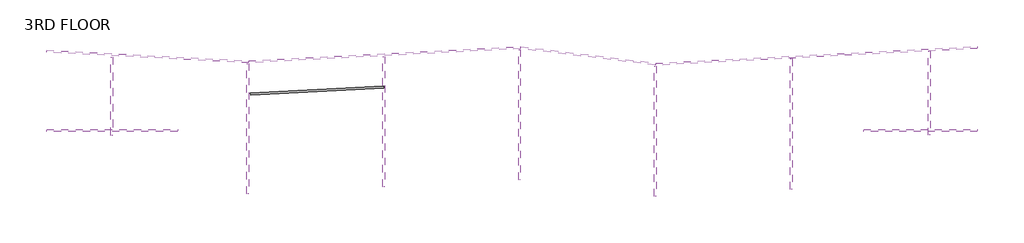
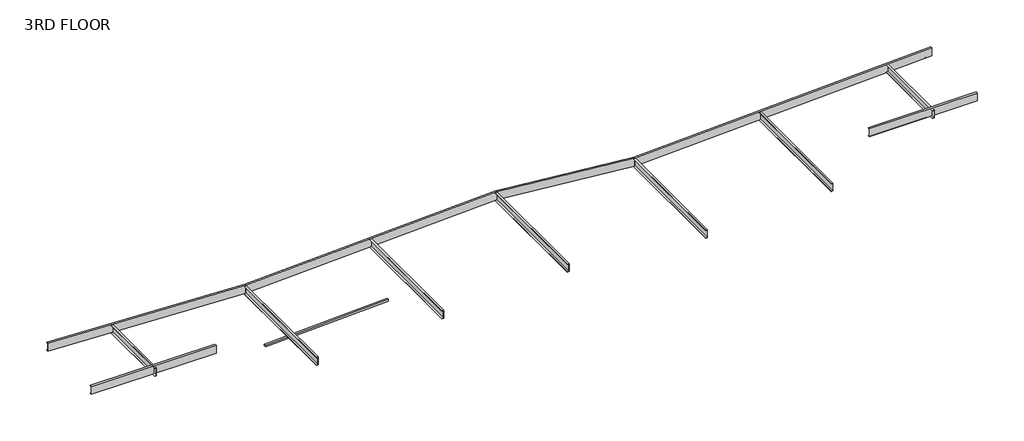
# One storey: 13 beams, 1 member.
"""IFC4 building model written with IfcOpenShell, lengths in millimetres."""

from ifc_helpers import new_model, si_unit, frame, origin, place, context, project, spatial, polyline, outline, extrude, element, save

model = new_model("IFC4")

# Units and contexts
model_context = context("Model", 3, world=origin())
ifc_project = project(units=[si_unit("LENGTHUNIT", "METRE", prefix="MILLI")], contexts=[model_context])

# Site, building, storey
site = spatial("IfcSite", under=ifc_project)
building = spatial("IfcBuilding", under=site)
storey = spatial("IfcBuildingStorey", under=building, Name="3RD FLOOR", Elevation=6543.675)

# Beams
placement = place(None, origin())
element("IfcBeam", 1, ObjectType="Steel Beam C 15x33.9", at=placement, inside=storey, context=model_context, shape_type="SweptSolid", body=[
    extrude(outline(polyline([(-190.5, -45.7200013), (-190.5, 40.6400012), (-181.6521699, 40.6400012), (-159.7935159, -35.5600011), (159.793516, -35.5600011), (181.6521699, 40.6400012), (190.5, 40.6400012), (190.5, -45.7200013), (-190.5, -45.7200013)])), frame((-44178.2188055, 295798.2554432, 9321.8754123), z_axis=(1.5099580252808516e-07, -0.9999999999999877, 4.3711388286737366e-08), x_axis=(0.0, 4.371138828673687e-08, 0.9999999999999991)), (0.0, 0.0, 1.0), 3657.599926),
])
element("IfcBeam", 2, ObjectType="Steel Beam C 15x33.9", at=placement, inside=storey, context=model_context, shape_type="SweptSolid", body=[
    extrude(outline(polyline([(-190.5, -45.7200012), (-190.5, 40.6400012), (-181.6521699, 40.6400012), (-159.7935159, -35.5600011), (159.793516, -35.5600011), (181.6521699, 40.6400012), (190.5, 40.6400012), (190.5, -45.7200012), (-190.5, -45.7200012)])), frame((-50157.3794173, 295452.804565, 9321.8753246), z_axis=(1.5099580252808516e-07, -0.9999999999999877, 4.3711388286737366e-08), x_axis=(0.0, 4.371138828673687e-08, 0.9999999999999991)), (0.0, 0.0, 1.0), 5664.1998291),
])
element("IfcBeam", 3, ObjectType="Steel Beam C 15x33.9", at=placement, inside=storey, context=model_context, shape_type="SweptSolid", body=[
    extrude(outline(polyline([(-190.5, -45.7200013), (-190.5, 40.6400012), (-181.6521699, 40.6400012), (-159.7935159, -35.5600011), (159.793516, -35.5600011), (181.6521699, 40.6400012), (190.5, 40.6400012), (190.5, -45.7200013), (-190.5, -45.7200013)])), frame((-73728.5769271, 295253.8909908, 9321.8753246), z_axis=(1.5099580252808516e-07, -0.9999999999999877, 4.3711388286737366e-08), x_axis=(0.0, 4.371138828673687e-08, 0.9999999999999991)), (0.0, 0.0, 1.0), 5664.1998291),
])
element("IfcBeam", 4, ObjectType="Steel Beam C 15x33.9", at=placement, inside=storey, context=model_context, shape_type="SweptSolid", body=[
    extrude(outline(polyline([(-190.5, -45.7200013), (-190.5, 40.6400011), (-181.6521699, 40.6400011), (-159.7935159, -35.5600011), (159.793516, -35.5600011), (181.6521699, 40.6400011), (190.5, 40.6400011), (190.5, -45.7200013), (-190.5, -45.7200013)])), frame((-56050.1787948, 295147.9949947, 9321.8753246), z_axis=(1.5099580252808516e-07, -0.9999999999999877, 4.3711388286737366e-08), x_axis=(0.0, 4.371138828673687e-08, 0.9999999999999991)), (0.0, 0.0, 1.0), 5664.1998291),
])
element("IfcBeam", 5, ObjectType="Steel Beam C 15x33.9", at=placement, inside=storey, context=model_context, shape_type="SweptSolid", body=[
    extrude(outline(polyline([(-190.5, -45.7200012), (-190.5, 40.6400012), (-181.6521699, 40.6400012), (-159.7935159, -35.5600011), (159.793516, -35.5600011), (181.6521699, 40.6400012), (190.5, 40.6400012), (190.5, -45.7200012), (-190.5, -45.7200012)])), frame((-67835.7775496, 295558.7005611, 9321.8753246), z_axis=(1.5099580252808516e-07, -0.9999999999999877, 4.3711388286737366e-08), x_axis=(0.0, 4.371138828673687e-08, 0.9999999999999991)), (0.0, 0.0, 1.0), 5664.1998291),
])
element("IfcBeam", 6, ObjectType="Steel Beam C 15x33.9", at=placement, inside=storey, context=model_context, shape_type="SweptSolid", body=[
    extrude(outline(polyline([(-190.5, -45.7200012), (-190.5, 40.6400012), (-181.6521699, 40.6400012), (-159.7935159, -35.5600011), (159.793516, -35.5600011), (181.6521699, 40.6400012), (190.5, 40.6400012), (190.5, -45.7200012), (-190.5, -45.7200012)])), frame((-61942.9781722, 295863.4796139, 9321.8753246), z_axis=(1.5099580252808516e-07, -0.9999999999999877, 4.3711388286737366e-08), x_axis=(0.0, 4.371138828673687e-08, 0.9999999999999991)), (0.0, 0.0, 1.0), 5664.1998291),
])
element("IfcBeam", 7, ObjectType="Steel Beam C 15x33.9", at=placement, inside=storey, context=model_context, shape_type="SweptSolid", body=[
    extrude(outline(polyline([(-190.5, -45.7200013), (-190.5, 40.6400012), (-181.6521699, 40.6400012), (-159.7935159, -35.5600011), (159.793516, -35.5600011), (181.6521699, 40.6400012), (190.5, 40.6400012), (190.5, -45.7200013), (-190.5, -45.7200013)])), frame((-79621.3759632, 295537.6026627, 9321.8754234), z_axis=(1.5099580252808516e-07, -0.9999999999999877, 4.3711388286737366e-08), x_axis=(0.0, 4.371138828673687e-08, 0.9999999999999991)), (0.0, 0.0, 1.0), 3403.5999775),
])
element("IfcBeam", 8, ObjectType="Steel Beam C 15x33.9", at=placement, inside=storey, context=model_context, shape_type="SweptSolid", body=[
    extrude(outline(polyline([(-45.7199785, -190.5000055), (-45.7200239, 190.4999945), (40.6399785, 190.5000048), (40.6399795, 181.6521747), (-35.5600201, 159.7935117), (-35.559982, -159.7935202), (40.6400229, -181.6521651), (40.6400239, -190.4999952), (-45.7199785, -190.5000055)])), frame((-76768.104553, 292341.2851172, 9321.8746182), z_axis=(-0.9999999999999943, 7.54979083694703e-08, 7.54979012640429e-08), x_axis=(7.549790836947007e-08, 0.9999999999999972, 0.0)), (0.0, 0.0, 1.0), 5684.5202446),
])
element("IfcBeam", 9, ObjectType="Steel Beam C 15x33.9", at=placement, inside=storey, context=model_context, shape_type="SweptSolid", body=[
    extrude(outline(polyline([(-45.7200239, 190.4999945), (40.6399785, 190.5000048), (40.6399795, 181.6521747), (-35.5600201, 159.7935117), (-35.559982, -159.7935202), (40.6400228, -181.6521651), (40.6400239, -190.4999952), (-45.7199785, -190.5000055), (-45.7200239, 190.4999945)])), frame((-42079.1635514, 292341.2853326, 9321.8744028), z_axis=(-0.9999999999999981, -4.3711384734024224e-08, 4.371138828673782e-08), x_axis=(-4.3711384734024184e-08, 0.9999999999999991, 0.0)), (0.0, 0.0, 1.0), 4927.5999069),
])
element("IfcBeam", 10, ObjectType="Steel Beam C 15x33.9", at=placement, inside=storey, context=model_context, shape_type="SweptSolid", body=[
    extrude(outline(polyline([(45.7189687, -190.5002477), (-40.6410337, -190.4997797), (-40.6409857, -181.6519496), (35.559135, -159.7937086), (35.5608672, 159.7933233), (-40.6390167, 181.6523902), (-40.6389687, 190.5002203), (45.7210337, 190.4997523), (45.7189687, -190.5002477)])), frame((-56032.4694846, 295220.4035452, 9321.8754455), z_axis=(0.9986295168298003, 0.05233629826612037, 2.821299763095001e-07), x_axis=(0.05233629826688081, -0.9986295168152902, -5.383325364137388e-06)), (0.0, 0.0, 1.0), 13970.000267),
])
element("IfcBeam", 11, ObjectType="Steel Beam C 15x33.9", at=placement, inside=storey, context=model_context, shape_type="SweptSolid", body=[
    extrude(outline(polyline([(45.7207335, 190.4998243), (45.719269, -190.5001757), (-40.6407334, -190.4998437), (-40.6406994, -181.6520136), (35.5593869, -159.7936526), (35.5606154, 159.7933793), (-40.6393029, 181.6523262), (-40.6392689, 190.5001563), (45.7207335, 190.4998243)])), frame((-61901.5458947, 295945.2245075, 9321.8755725), z_axis=(-0.998629585332176, -0.05233499115551881, 1.947071866973506e-07), x_axis=(0.05233499115588101, -0.9986295853252649, 3.7153031426646206e-06)), (0.0, 0.0, 1.0), 11798.2997894),
])
element("IfcBeam", 12, ObjectType="Steel Beam C 15x33.9", at=placement, inside=storey, context=model_context, shape_type="SweptSolid", body=[
    extrude(outline(polyline([(-45.719492, -190.5001222), (-45.7205104, 190.4998778), (40.6394919, 190.5001087), (40.6395156, 181.6522786), (-35.5604282, 159.7934209), (-35.5595739, -159.793611), (40.6404868, -181.6520612), (40.6405104, -190.4998913), (-45.719492, -190.5001222)])), frame((-61886.0658801, 295944.7207744, 9321.8746188), z_axis=(0.9925461977787633, -0.12186896764485093, 3.139164723197392e-07), x_axis=(0.12186896764525523, 0.9925461977754705, -2.5566525017922418e-06)), (0.0, 0.0, 1.0), 5892.7993774),
])
element("IfcBeam", 13, ObjectType="Steel Beam C 15x33.9", at=placement, inside=storey, context=model_context, shape_type="SweptSolid", body=[
    extrude(outline(polyline([(-45.7153987, -190.5011046), (-45.7246037, 190.4988953), (40.6353986, 190.5009818), (40.6356124, 181.6531517), (-35.5638617, 159.7926568), (-35.5561405, -159.794375), (40.6443899, -181.651188), (40.6446036, -190.4990181), (-45.7153987, -190.5011046)])), frame((-73680.4472055, 295328.0980425, 9321.8746186), z_axis=(-0.9986295275375557, 0.052336093936323706, 1.2675908682596711e-06), x_axis=(0.05233609395167436, 0.9986295272446485, 2.418701080462612e-05)), (0.0, 0.0, 1.0), 8781.288147),
])

# Member
element("IfcMember", 14, ObjectType="Wood Post 4x4", at=placement, inside=storey, context=model_context, shape_type="SweptSolid", body=[
    extrude(outline(polyline([(0.0, -88.9000001), (0.0, 0.0), (5778.5000802, 0.0), (5778.5000801, -88.9000001), (0.0, -88.9000001)])), frame((-73608.0207196, 293963.4929826, 7362.5230555), z_axis=(1.9470719057819888e-07, 0.0, 0.999999999999981), x_axis=(0.9986295359104241, 0.05233593418764304, -1.944403513843728e-07)), (0.0, 0.0, 1.0), 88.9),
])

save(model, "model.ifc")
